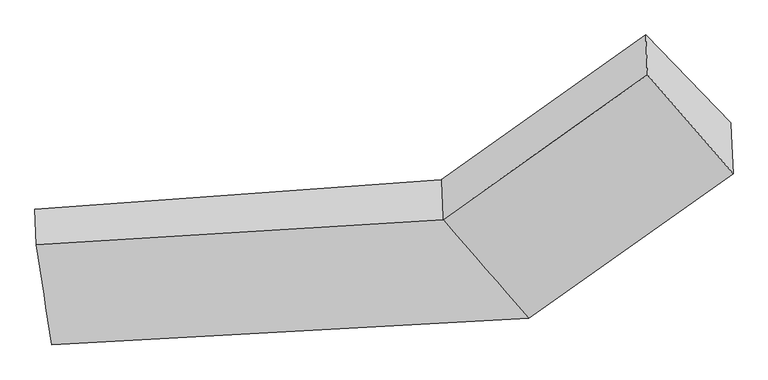
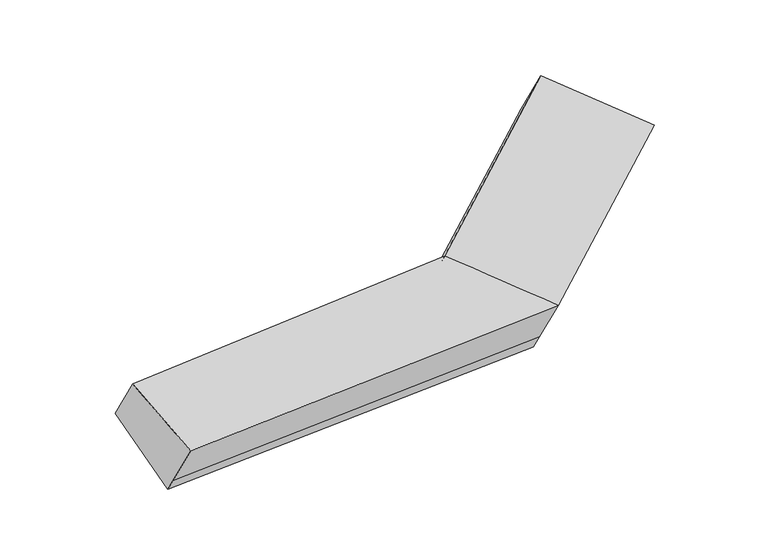
"""IFC4 building model written with IfcOpenShell, lengths in millimetres: proxy geometry."""

from ifc_helpers import new_model, si_unit, frame, origin, place, context, project, spatial, source, transform, mapped, element, save
from ifc_brep_helpers import plane_surface, spline_surface, advanced_brep


def generic_models_e977fc5b(model_context):
    return source(origin(), model_context, "Body", "AdvancedBrep", [
        advanced_brep(
        [(-2458.444122, -1753.8869709, 1706.7738112), (-2448.4597686, -1992.5114599, 2108.7654508), (285.7897575, -1822.7391087, 2194.3918333), (274.5634565, -1554.4322666, 1742.3967013), (-2358.3571279, -2348.5447876, 1351.295718), (847.5599605, -2144.8938538, 1377.6637575), (-2355.3677243, -2419.9910667, 1471.6555646), (850.9764218, -2226.5467442, 1515.2178678), (-2345.1389353, -2664.4575275, 1883.4887082), (861.8586023, -2486.6291603, 1953.3579654), (2224.9726166, -1252.4300291, 2054.3880081), (2221.5561553, -1170.7771387, 1916.8338977), (1648.5596513, -580.3155514, 2281.5668415), (1659.7859523, -848.6223935, 2733.5619735), (2235.854797, -1512.5124451, 2492.5281056)],
        [
            (0, 1),
            (1, 2),
            (2, 3),
            (3, 0),
            (4, 0),
            (0, 5),
            (5, 4),
            (6, 4),
            (5, 7),
            (7, 6),
            (8, 6),
            (7, 9),
            (9, 8),
            (1, 8),
            (9, 2),
            (10, 11),
            (11, 12),
            (12, 13),
            (13, 14),
            (14, 10),
            (3, 5),
            (5, 11),
            (10, 7),
            (3, 12),
            (2, 13),
            (9, 14),
        ],
        [
            plane_surface(frame((-2453.4519453, -1873.1992154, 1907.769631), z_axis=(-0.06920446560325744, 0.8570922044922145, 0.5104935797238236), x_axis=(0.02135288267307984, -0.5103305650172618, 0.8597131898550308))),
            plane_surface(frame((-2408.4006249, -2051.2158792, 1529.0347646), z_axis=(-0.02531099029912754, 0.5097913751601663, -0.8599256407285366), x_axis=(-0.14298142013093615, 0.8495111666297657, 0.5078258473814378))),
            plane_surface(frame((-2356.8624261, -2384.2679271, 1411.4756413), z_axis=(0.058689514484457084, -0.857786499759426, -0.5106445551653822), x_axis=(-0.021352882673080175, 0.5103305650172618, -0.8597131898550306))),
            plane_surface(frame((-2350.2533298, -2542.2242971, 1677.5721364), z_axis=(0.05868951448445985, -0.857786499759426, -0.5106445551653819), x_axis=(-0.021352882673079786, 0.5103305650172616, -0.8597131898550309))),
            spline_surface(1, 1, [[(-2448.4597686, -1992.5114599, 2108.7654508), (285.7897575, -1822.7391087, 2194.3918333)], [(-2345.1389353, -2664.4575275, 1883.4887082), (861.8586023, -2486.6291603, 1953.3579654)]], [2, 2], [2, 2], [0.0, 1.0], [0.0, 1.0]),
            plane_surface(frame((1941.439139, -1028.0568822, 2356.1227046), z_axis=(0.7708466488758977, 0.5560008355748126, 0.3108995251796129), x_axis=(-0.021352882673079894, 0.510330565017261, -0.8597131898550312))),
            plane_surface(frame((-2402.5999884, -2189.8501865, 1762.580922), z_axis=(-0.9894950065052832, -0.13376655852826289, -0.05482827665187412), x_axis=(-0.021352882673080352, 0.5103305650172616, -0.8597131898550308))),
            plane_surface(frame((-2458.444122, -1753.8869709, 1706.7738112), z_axis=(-0.025781275925291447, 0.5071277504290872, -0.8614852120358176), x_axis=(-0.6366627822625907, 0.6560684303098838, 0.4052588264706672))),
            plane_surface(frame((849.2681912, -2185.720299, 1446.4408126), z_axis=(0.6291435416588207, -0.661439314646486, -0.4082602564896351), x_axis=(-0.021352882673079426, 0.5103305650172608, -0.8597131898550313))),
            plane_surface(frame((561.0617085, -1849.6630602, 1560.0302294), z_axis=(-0.023205884194007625, 0.508992502031043, -0.8604580871924867), x_axis=(-0.6366627822625947, 0.6560684303098783, 0.4052588264706697))),
            plane_surface(frame((280.176607, -1688.5856876, 1968.3942673), z_axis=(-0.6291435416588181, 0.6614393146464879, 0.4082602564896361), x_axis=(0.021352882673129226, -0.5103305650172255, 0.859713189855051))),
            plane_surface(frame((573.8241799, -2154.6841345, 2073.8748993), z_axis=(-0.07640985464665925, -0.3981843222435402, 0.9141174867774541), x_axis=(0.6320502286848142, -0.7284057500374397, -0.26445712645317215))),
            plane_surface(frame((856.417512, -2356.5879523, 1734.2879166), z_axis=(0.6291435416588208, -0.6614393146464858, -0.4082602564896356), x_axis=(-0.02135288267308004, 0.510330565017261, -0.8597131898550312))),
        ],
        [
            (0, [[1, 2, 3, 4]]),
            (1, [[5, 6, 7]]),
            (2, [[8, -7, 9, 10]]),
            (3, [[11, -10, 12, 13]]),
            (4, [[14, -13, 15, -2]]),
            (5, [[16, 17, 18, 19, 20]]),
            (6, [[-1, -5, -8, -11, -14]]),
            (7, [[21, -6, -4]]),
            (8, [[-9, 22, -16, 23]]),
            (9, [[-21, 24, -17, -22]]),
            (10, [[-3, 25, -18, -24]]),
            (11, [[-15, 26, -19, -25]]),
            (12, [[-12, -23, -20, -26]]),
        ],
    ),
    ])


if __name__ == "__main__":
    model = new_model("IFC4")
    model_context = context("Model", 3, world=origin())
    ifc_project = project(units=[si_unit("LENGTHUNIT", "METRE", prefix="MILLI")], contexts=[model_context])
    site = spatial("IfcSite", under=ifc_project)
    building = spatial("IfcBuilding", under=site)
    placement = place(None, origin())
    generic_models_shape = generic_models_e977fc5b(model_context)
    element("IfcBuildingElementProxy", 1, Name="Generic Models", at=placement, inside=building, context=model_context, shape_type="MappedRepresentation", body=[
        mapped(generic_models_shape, transform((0.0, 0.0, 0.0), x_axis=(1.0, 0.0, 0.0), y_axis=(0.0, 1.0, 0.0), z_axis=(0.0, 0.0, 1.0))),
    ])
    save(model, "model.ifc")
